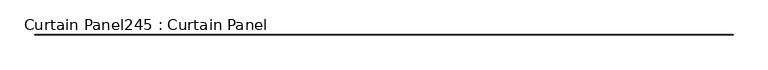
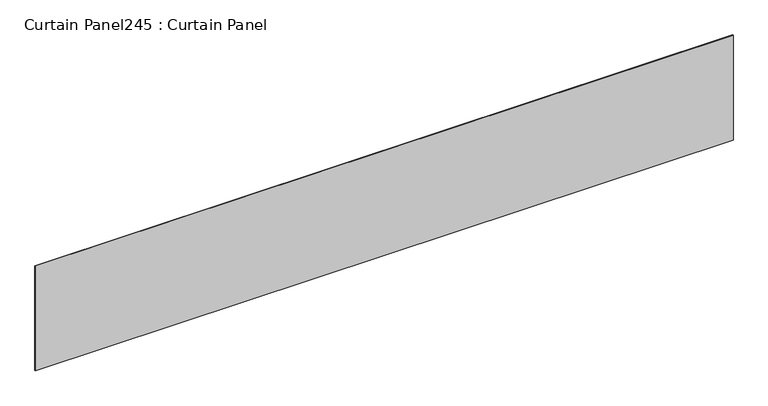
"""IFC4 building model written with IfcOpenShell, lengths in millimetres: plate geometry, Curtain Panel245 : Curtain Panel."""

from ifc_helpers import new_model, si_unit, frame, origin, place, context, project, spatial, polyline, outline, extrude, source, transform, mapped, element, save


def curtain_panel245_curtain_panel_0e24e58c(model_context):
    return source(origin(), model_context, "Body", "SweptSolid", [
        extrude(outline(polyline([(329176.6925793, 2040.743529), (319727.8925793, 2040.743529), (319727.8925793, 2047.093529), (329176.6925793, 2047.093529), (329176.6925793, 2040.743529)])), frame((0.0, 0.0, 5632.7163816), z_axis=(0.0, 0.0, 1.0), x_axis=(1.0, 0.0, 0.0)), (0.0, 0.0, 1.0), 1500.7240334),
    ])


if __name__ == "__main__":
    model = new_model("IFC4")
    model_context = context("Model", 3, world=origin())
    ifc_project = project(units=[si_unit("LENGTHUNIT", "METRE", prefix="MILLI")], contexts=[model_context])
    site = spatial("IfcSite", under=ifc_project)
    building = spatial("IfcBuilding", under=site)
    placement = place(None, origin())
    curtain_panel245_curtain_panel_shape = curtain_panel245_curtain_panel_0e24e58c(model_context)
    element("IfcPlate", 1, ObjectType="Curtain Panel245 : Curtain Panel", at=placement, inside=building, context=model_context, shape_type="MappedRepresentation", body=[
        mapped(curtain_panel245_curtain_panel_shape, transform((0.0, 0.0, 0.0), x_axis=(1.0, 0.0, 0.0), y_axis=(0.0, 1.0, 0.0), z_axis=(0.0, 0.0, 1.0))),
    ])
    save(model, "model.ifc")
